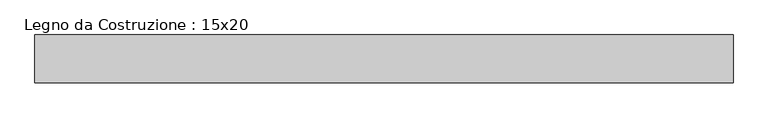
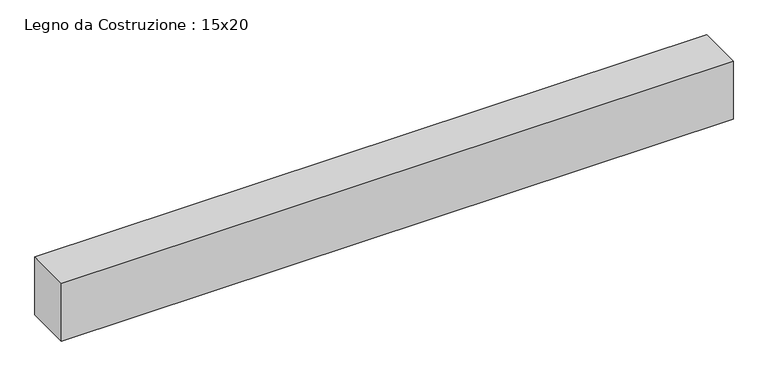
"""IFC4 building model written with IfcOpenShell, lengths in millimetres: beam geometry, Legno da Costruzione : 15x20."""

from ifc_helpers import new_model, si_unit, frame, origin, place, context, project, spatial, polyline, outline, extrude, source, transform, mapped, element, save


def legno_da_costruzione_15x20_8a9aa42f(model_context):
    return source(origin(), model_context, "Body", "SweptSolid", [
        extrude(outline(polyline([(1267.0, 75.0), (1267.0, -75.0), (-928.0, -75.0), (-928.0, 75.0), (1267.0, 75.0)])), frame((0.0, 0.0, -100.0), z_axis=(0.0, 0.0, 1.0), x_axis=(1.0, 0.0, 0.0)), (0.0, 0.0, 1.0), 200.0),
    ])


if __name__ == "__main__":
    model = new_model("IFC4")
    model_context = context("Model", 3, world=origin())
    ifc_project = project(units=[si_unit("LENGTHUNIT", "METRE", prefix="MILLI")], contexts=[model_context])
    site = spatial("IfcSite", under=ifc_project)
    building = spatial("IfcBuilding", under=site)
    placement = place(None, origin())
    legno_da_costruzione_15x20_shape = legno_da_costruzione_15x20_8a9aa42f(model_context)
    element("IfcBeam", 1, ObjectType="Legno da Costruzione : 15x20", at=placement, inside=building, context=model_context, shape_type="MappedRepresentation", body=[
        mapped(legno_da_costruzione_15x20_shape, transform((0.0, 0.0, 0.0), x_axis=(1.0, 0.0, 0.0), y_axis=(0.0, 1.0, 0.0), z_axis=(0.0, 0.0, 1.0))),
    ])
    save(model, "model.ifc")
